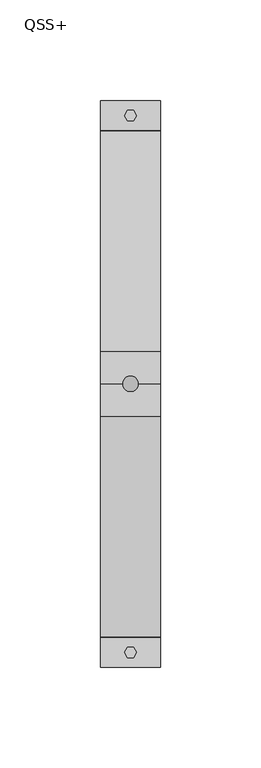
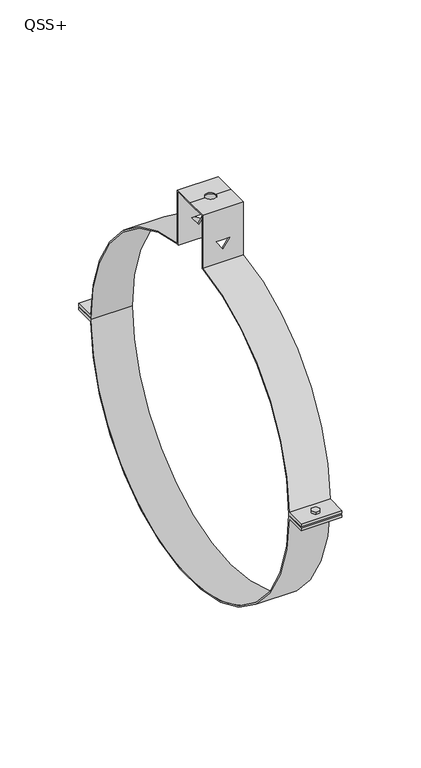
"""IFC4 building model written with IfcOpenShell, lengths in millimetres: proxy geometry, QSS+."""

from ifc_helpers import new_model, si_unit, frame, origin, place, context, project, spatial, polyline, circle_curve, outline, extrude, source, transform, mapped, element, save
from ifc_brep_helpers import plane_surface, cylinder_surface, revolved_surface, advanced_brep


def qss_0db54267(model_context):
    return source(origin(), model_context, "Body", "SolidModel", [
        extrude(outline(polyline([(1.5, 136.0980762), (3.0, 133.5), (1.5, 130.9019238), (-1.5, 130.9019238), (-3.0, 133.5), (-1.5, 136.0980762), (1.5, 136.0980762)])), frame((0.0, 0.0, -4.0), z_axis=(0.0, 0.0, 1.0), x_axis=(1.0, 0.0, 0.0)), (0.0, 0.0, 1.0), 8.0),
        extrude(outline(polyline([(1.5, -136.0980762), (-1.5, -136.0980762), (-3.0, -133.5), (-1.5, -130.9019238), (1.5, -130.9019238), (3.0, -133.5), (1.5, -136.0980762)])), frame((0.0, 0.0, -4.0), z_axis=(0.0, 0.0, 1.0), x_axis=(1.0, 0.0, 0.0)), (0.0, 0.0, 1.0), 8.0),
        advanced_brep(
        [(-15.0, -16.0, 166.0), (-15.0, 0.0, 166.0), (-15.0, 16.0, 166.0), (-15.0, 16.0, 124.9799984), (-15.0, 125.9758519, 2.4667277), (-15.0, 141.0, 2.4667277), (-15.0, 141.0, 0.4667277), (-15.0, 125.9991356, 0.4667277), (-15.0, 126.0, 0.0), (-15.0, 125.9991356, -0.4667277), (-15.0, 141.0, -0.4667277), (-15.0, 141.0, -2.4667277), (-15.0, 125.9758519, -2.4667277), (-15.0, -125.9751058, -2.5045372), (-15.0, -141.0, -2.5045372), (-15.0, -141.0, -0.5045372), (-15.0, -125.9989898, -0.5045372), (-15.0, -126.0, 0.0), (-15.0, -125.9989898, 0.5045372), (-15.0, -141.0, 0.5045372), (-15.0, -141.0, 2.5045372), (-15.0, -125.9751058, 2.5045372), (-15.0, -16.0, 124.9799984), (-15.0, 14.9730976, 165.0081289), (-15.0, 0.0, 165.0081289), (-15.0, -14.9730976, 165.0081289), (-15.0, -14.9730976, 124.0999853), (-15.0, -16.0, 123.971771), (-15.0, -125.0, 0.0), (-15.0, 125.0, 0.0), (-15.0, 16.0, 123.971771), (-15.0, 14.9730976, 124.0999853), (15.0, 16.0, 166.0), (15.0, 0.0, 166.0), (15.0, -16.0, 166.0), (15.0, -16.0, 124.9799984), (15.0, -125.9751058, 2.5045372), (15.0, -141.0, 2.5045372), (15.0, -141.0, 0.5045372), (15.0, -125.9989898, 0.5045372), (15.0, -126.0, 0.0), (15.0, -125.9989898, -0.5045372), (15.0, -141.0, -0.5045372), (15.0, -141.0, -2.5045372), (15.0, -125.9751058, -2.5045372), (15.0, 125.9758519, -2.4667277), (15.0, 141.0, -2.4667277), (15.0, 141.0, -0.4667277), (15.0, 125.9991356, -0.4667277), (15.0, 126.0, 0.0), (15.0, 125.9991356, 0.4667277), (15.0, 141.0, 0.4667277), (15.0, 141.0, 2.4667277), (15.0, 125.9758519, 2.4667277), (15.0, 16.0, 124.9799984), (15.0, -14.9730976, 165.0081289), (15.0, 0.0, 165.0081289), (15.0, 14.9730976, 165.0081289), (15.0, 14.9730976, 124.0999853), (15.0, 16.0, 123.971771), (15.0, 125.0, 0.0), (15.0, -125.0, 0.0), (15.0, -16.0, 123.971771), (15.0, -14.9730976, 124.0999853), (-4.0, 0.0, 166.0), (4.0, 0.0, 166.0), (0.0, -16.0, 141.8826485), (4.9139468, -16.0, 141.8826485), (0.0, -16.0, 134.8648052), (-4.9139468, -16.0, 141.8826485), (4.9139468, -14.9730976, 141.8826485), (0.0, -14.9730976, 141.8826485), (-4.9139468, -14.9730976, 141.8826485), (0.0, -14.9730976, 134.8648052), (-4.0, 0.0, 165.0081289), (4.0, 0.0, 165.0081289), (0.0, 14.9730976, 141.8826485), (4.9139468, 14.9730976, 141.8826485), (0.0, 14.9730976, 134.8648052), (-4.9139468, 14.9730976, 141.8826485), (4.9139468, 16.0, 141.8826485), (0.0, 16.0, 141.8826485), (-4.9139468, 16.0, 141.8826485), (0.0, 16.0, 134.8648052)],
        [
            (0, 1),
            (1, 2),
            (2, 3),
            (3, 4, circle_curve(frame((-15.0, 0.0, 0.0), z_axis=(-1.0, 0.0, 0.0), x_axis=(0.0, 1.0, 0.0)), 126.0)),
            (4, 5),
            (5, 6),
            (6, 7),
            (7, 8, circle_curve(frame((-15.0, 0.0, 0.0), z_axis=(-1.0, 0.0, 0.0), x_axis=(0.0, 1.0, 0.0)), 126.0)),
            (8, 9, circle_curve(frame((-15.0, 0.0, 0.0), z_axis=(-1.0, 0.0, 0.0), x_axis=(0.0, 1.0, 0.0)), 126.0)),
            (9, 10),
            (10, 11),
            (11, 12),
            (12, 13, circle_curve(frame((-15.0, 0.0, 0.0), z_axis=(-1.0, 0.0, 0.0), x_axis=(0.0, 1.0, 0.0)), 126.0)),
            (13, 14),
            (14, 15),
            (15, 16),
            (16, 17, circle_curve(frame((-15.0, 0.0, 0.0), z_axis=(-1.0, 0.0, 0.0), x_axis=(0.0, 1.0, 0.0)), 126.0)),
            (17, 18, circle_curve(frame((-15.0, 0.0, 0.0), z_axis=(-1.0, 0.0, 0.0), x_axis=(0.0, 1.0, 0.0)), 126.0)),
            (18, 19),
            (19, 20),
            (20, 21),
            (21, 22, circle_curve(frame((-15.0, 0.0, 0.0), z_axis=(-1.0, 0.0, 0.0), x_axis=(0.0, 1.0, 0.0)), 126.0)),
            (22, 0),
            (23, 24),
            (24, 25),
            (25, 26),
            (26, 27, circle_curve(frame((-15.0, 0.0, 0.0), z_axis=(1.0, 0.0, 0.0), x_axis=(0.0, 1.0, 0.0)), 125.0)),
            (27, 28, circle_curve(frame((-15.0, 0.0, 0.0), z_axis=(1.0, 0.0, 0.0), x_axis=(0.0, 1.0, 0.0)), 125.0)),
            (28, 29, circle_curve(frame((-15.0, 0.0, 0.0), z_axis=(1.0, 0.0, 0.0), x_axis=(0.0, 1.0, 0.0)), 125.0)),
            (29, 30, circle_curve(frame((-15.0, 0.0, 0.0), z_axis=(1.0, 0.0, 0.0), x_axis=(0.0, 1.0, 0.0)), 125.0)),
            (30, 31, circle_curve(frame((-15.0, 0.0, 0.0), z_axis=(1.0, 0.0, 0.0), x_axis=(0.0, 1.0, 0.0)), 125.0)),
            (31, 23),
            (32, 33),
            (33, 34),
            (34, 35),
            (35, 36, circle_curve(frame((15.0, 0.0, 0.0), z_axis=(1.0, 0.0, 0.0), x_axis=(0.0, 1.0, 0.0)), 126.0)),
            (36, 37),
            (37, 38),
            (38, 39),
            (39, 40, circle_curve(frame((15.0, 0.0, 0.0), z_axis=(1.0, 0.0, 0.0), x_axis=(0.0, 1.0, 0.0)), 126.0)),
            (40, 41, circle_curve(frame((15.0, 0.0, 0.0), z_axis=(1.0, 0.0, 0.0), x_axis=(0.0, 1.0, 0.0)), 126.0)),
            (41, 42),
            (42, 43),
            (43, 44),
            (44, 45, circle_curve(frame((15.0, 0.0, 0.0), z_axis=(1.0, 0.0, 0.0), x_axis=(0.0, 1.0, 0.0)), 126.0)),
            (45, 46),
            (46, 47),
            (47, 48),
            (48, 49, circle_curve(frame((15.0, 0.0, 0.0), z_axis=(1.0, 0.0, 0.0), x_axis=(0.0, 1.0, 0.0)), 126.0)),
            (49, 50, circle_curve(frame((15.0, 0.0, 0.0), z_axis=(1.0, 0.0, 0.0), x_axis=(0.0, 1.0, 0.0)), 126.0)),
            (50, 51),
            (51, 52),
            (52, 53),
            (53, 54, circle_curve(frame((15.0, 0.0, 0.0), z_axis=(1.0, 0.0, 0.0), x_axis=(0.0, 1.0, 0.0)), 126.0)),
            (54, 32),
            (55, 56),
            (56, 57),
            (57, 58),
            (58, 59, circle_curve(frame((15.0, 0.0, 0.0), z_axis=(-1.0, 0.0, 0.0), x_axis=(0.0, 1.0, 0.0)), 125.0)),
            (59, 60, circle_curve(frame((15.0, 0.0, 0.0), z_axis=(-1.0, 0.0, 0.0), x_axis=(0.0, 1.0, 0.0)), 125.0)),
            (60, 61, circle_curve(frame((15.0, 0.0, 0.0), z_axis=(-1.0, 0.0, 0.0), x_axis=(0.0, 1.0, 0.0)), 125.0)),
            (61, 62, circle_curve(frame((15.0, 0.0, 0.0), z_axis=(-1.0, 0.0, 0.0), x_axis=(0.0, 1.0, 0.0)), 125.0)),
            (62, 63, circle_curve(frame((15.0, 0.0, 0.0), z_axis=(-1.0, 0.0, 0.0), x_axis=(0.0, 1.0, 0.0)), 125.0)),
            (63, 55),
            (1, 64),
            (64, 65, circle_curve(frame((0.0, 0.0, 166.0), z_axis=(0.0, 0.0, -1.0), x_axis=(1.0, 0.0, 0.0)), 4.0)),
            (65, 33),
            (32, 2),
            (0, 34),
            (65, 64, circle_curve(frame((0.0, 0.0, 166.0), z_axis=(0.0, 0.0, -1.0), x_axis=(1.0, 0.0, 0.0)), 4.0)),
            (22, 35),
            (66, 67),
            (67, 68),
            (68, 69),
            (69, 66),
            (25, 55),
            (63, 26),
            (70, 71),
            (71, 72),
            (72, 73),
            (73, 70),
            (24, 74),
            (74, 75, circle_curve(frame((0.0, 0.0, 165.0081289), z_axis=(0.0, 0.0, 1.0), x_axis=(1.0, 0.0, 0.0)), 4.0)),
            (75, 56),
            (23, 57),
            (75, 74, circle_curve(frame((0.0, 0.0, 165.0081289), z_axis=(0.0, 0.0, 1.0), x_axis=(1.0, 0.0, 0.0)), 4.0)),
            (31, 58),
            (76, 77),
            (77, 78),
            (78, 79),
            (79, 76),
            (54, 3),
            (80, 81),
            (81, 82),
            (82, 83),
            (83, 80),
            (61, 28),
            (27, 62),
            (29, 60),
            (59, 30),
            (40, 17),
            (16, 41),
            (8, 49),
            (48, 9),
            (12, 45),
            (44, 13),
            (21, 36),
            (53, 4),
            (39, 18),
            (7, 50),
            (6, 51),
            (5, 52),
            (11, 46),
            (10, 47),
            (38, 19),
            (37, 20),
            (43, 14),
            (42, 15),
            (70, 67),
            (66, 71),
            (80, 77),
            (76, 81),
            (69, 72),
            (79, 82),
            (68, 73),
            (78, 83),
            (65, 75),
            (74, 64),
        ],
        [
            plane_surface(frame((-15.0, 16.0, 166.0), z_axis=(-1.0, 0.0, 0.0), x_axis=(0.0, 1.0, 0.0))),
            plane_surface(frame((15.0, 16.0, 166.0), z_axis=(1.0, 0.0, 0.0), x_axis=(0.0, -1.0, 0.0))),
            plane_surface(frame((15.0, 16.0, 166.0), z_axis=(0.0, 0.0, 1.0), x_axis=(-1.0, 0.0, 0.0))),
            plane_surface(frame((15.0, 0.0, 166.0), z_axis=(0.0, 0.0, 1.0), x_axis=(-1.0, 0.0, 0.0))),
            plane_surface(frame((15.0, -16.0, 166.0), z_axis=(0.0, -1.0, 0.0), x_axis=(-1.0, 0.0, 0.0))),
            plane_surface(frame((15.0, -14.9730976, 0.0), z_axis=(0.0, 1.0, 0.0), x_axis=(-1.0, 0.0, 0.0))),
            plane_surface(frame((15.0, -14.9730976, 165.0081289), z_axis=(0.0, 0.0, -1.0), x_axis=(-1.0, 0.0, 0.0))),
            plane_surface(frame((15.0, 0.0, 165.0081289), z_axis=(0.0, 0.0, -1.0), x_axis=(-1.0, 0.0, 0.0))),
            plane_surface(frame((15.0, 14.9730976, 165.0081289), z_axis=(0.0, -1.0, 0.0), x_axis=(-1.0, 0.0, 0.0))),
            plane_surface(frame((15.0, 16.0, 0.0), z_axis=(0.0, 1.0, 0.0), x_axis=(-1.0, 0.0, 0.0))),
            revolved_surface(polyline([(-15.0, 125.0, 0.0), (15.0, 125.0, 0.0)]), (-15.0, 0.0, 0.0), (-1.0, 0.0, 0.0)),
            cylinder_surface(frame((0.0, 0.0, 0.0), z_axis=(1.0, 0.0, 0.0), x_axis=(0.0, 1.0, 0.0)), 126.0),
            revolved_surface(polyline([(15.0, 125.0, 0.0), (-15.0, 125.0, 0.0)]), (-15.0, 0.0, 0.0), (1.0, 0.0, 0.0)),
            plane_surface(frame((15.0, 125.2591075, 0.4667277), z_axis=(0.0, 0.0, -1.0), x_axis=(-1.0, 0.0, 0.0))),
            plane_surface(frame((15.0, 141.0, 0.4667277), z_axis=(0.0, 1.0, 0.0), x_axis=(-1.0, 0.0, 0.0))),
            plane_surface(frame((15.0, 141.0, 2.4667277), z_axis=(0.0, 0.0, 1.0), x_axis=(-1.0, 0.0, 0.0))),
            plane_surface(frame((15.0, 125.2591075, -2.4667277), z_axis=(0.0, 0.0, -1.0), x_axis=(-1.0, 0.0, 0.0))),
            plane_surface(frame((15.0, 141.0, -2.4667277), z_axis=(0.0, 1.0, 0.0), x_axis=(-1.0, 0.0, 0.0))),
            plane_surface(frame((15.0, 141.0, -0.4667277), z_axis=(0.0, 0.0, 1.0), x_axis=(-1.0, 0.0, 0.0))),
            plane_surface(frame((15.0, -141.0, 0.5045372), z_axis=(0.0, 0.0, -1.0), x_axis=(-1.0, 0.0, 0.0))),
            plane_surface(frame((15.0, -141.0, 2.5045372), z_axis=(0.0, -1.0, 0.0), x_axis=(-1.0, 0.0, 0.0))),
            plane_surface(frame((15.0, -125.2591075, 2.5045372), z_axis=(0.0, 0.0, 1.0), x_axis=(-1.0, 0.0, 0.0))),
            plane_surface(frame((15.0, -141.0, -2.5045372), z_axis=(0.0, 0.0, -1.0), x_axis=(-1.0, 0.0, 0.0))),
            plane_surface(frame((15.0, -141.0, -0.5045372), z_axis=(0.0, -1.0, 0.0), x_axis=(-1.0, 0.0, 0.0))),
            plane_surface(frame((15.0, -125.2591075, -0.5045372), z_axis=(0.0, 0.0, 1.0), x_axis=(-1.0, 0.0, 0.0))),
            plane_surface(frame((4.9139468, -23.1577597, 141.8826485), z_axis=(0.0, 0.0, -1.0), x_axis=(0.0, 1.0, 0.0))),
            plane_surface(frame((0.0, -23.1577597, 141.8826485), z_axis=(0.0, 0.0, -1.0), x_axis=(0.0, 1.0, 0.0))),
            plane_surface(frame((-4.9139468, -23.1577597, 141.8826485), z_axis=(0.8191520442889918, 0.0, 0.5735764363510462), x_axis=(0.0, 1.0, 0.0))),
            plane_surface(frame((0.0, -23.1577597, 134.8648052), z_axis=(-0.819152044288992, 0.0, 0.5735764363510459), x_axis=(0.0, 1.0, 0.0))),
            revolved_surface(polyline([(4.0, 0.0, 166.0), (4.0, 0.0, 165.0081289)]), (0.0, 0.0, 165.0081289), (0.0, 0.0, 1.0)),
        ],
        [
            (0, [[1, 2, 3, 4, 5, 6, 7, 8, 9, 10, 11, 12, 13, 14, 15, 16, 17, 18, 19, 20, 21, 22, 23], [24, 25, 26, 27, 28, 29, 30, 31, 32]]),
            (1, [[33, 34, 35, 36, 37, 38, 39, 40, 41, 42, 43, 44, 45, 46, 47, 48, 49, 50, 51, 52, 53, 54, 55], [56, 57, 58, 59, 60, 61, 62, 63, 64]]),
            (2, [[-2, 65, 66, 67, -33, 68]]),
            (3, [[-1, 69, -34, -67, 70, -65]]),
            (4, [[-69, -23, 71, -35], [72, 73, 74, 75]]),
            (5, [[76, -64, 77, -26], [78, 79, 80, 81]]),
            (6, [[-25, 82, 83, 84, -56, -76]]),
            (7, [[-24, 85, -57, -84, 86, -82]]),
            (8, [[-85, -32, 87, -58], [88, 89, 90, 91]]),
            (9, [[-68, -55, 92, -3], [93, 94, 95, 96]]),
            (10, [[97, -28, 98, -62]]),
            (10, [[99, -60, 100, -30]]),
            (10, [[-29, -97, -61, -99]]),
            (11, [[101, -17, 102, -41]]),
            (11, [[103, -49, 104, -9]]),
            (11, [[105, -45, 106, -13]]),
            (11, [[-71, -22, 107, -36]]),
            (11, [[-92, -54, 108, -4]]),
            (11, [[-101, -40, 109, -18]]),
            (11, [[-103, -8, 110, -50]]),
            (12, [[-27, -77, -63, -98]]),
            (12, [[-31, -100, -59, -87]]),
            (13, [[111, -51, -110, -7]]),
            (14, [[-52, -111, -6, 112]]),
            (15, [[-112, -5, -108, -53]]),
            (16, [[113, -46, -105, -12]]),
            (17, [[-47, -113, -11, 114]]),
            (18, [[-114, -10, -104, -48]]),
            (19, [[115, -19, -109, -39]]),
            (20, [[-38, 116, -20, -115]]),
            (21, [[-116, -37, -107, -21]]),
            (22, [[117, -14, -106, -44]]),
            (23, [[-43, 118, -15, -117]]),
            (24, [[-118, -42, -102, -16]]),
            (25, [[119, -72, 120, -78]]),
            (25, [[121, -88, 122, -93]]),
            (26, [[-120, -75, 123, -79]]),
            (26, [[-122, -91, 124, -94]]),
            (27, [[-123, -74, 125, -80]]),
            (27, [[-124, -90, 126, -95]]),
            (28, [[-119, -81, -125, -73]]),
            (28, [[-121, -96, -126, -89]]),
            (29, [[127, -83, 128, -70]]),
            (29, [[-127, -66, -128, -86]]),
        ],
    ),
    ])


if __name__ == "__main__":
    model = new_model("IFC4")
    model_context = context("Model", 3, world=origin())
    ifc_project = project(units=[si_unit("LENGTHUNIT", "METRE", prefix="MILLI")], contexts=[model_context])
    site = spatial("IfcSite", under=ifc_project)
    building = spatial("IfcBuilding", under=site)
    placement = place(None, origin())
    qss_shape = qss_0db54267(model_context)
    element("IfcBuildingElementProxy", 1, Name="QSS+", ObjectType="QSS+", at=placement, inside=building, context=model_context, shape_type="MappedRepresentation", body=[
        mapped(qss_shape, transform((0.0, 0.0, 0.0), x_axis=(1.0, 0.0, 0.0), y_axis=(0.0, 1.0, 0.0), z_axis=(0.0, 0.0, 1.0))),
    ])
    save(model, "model.ifc")
